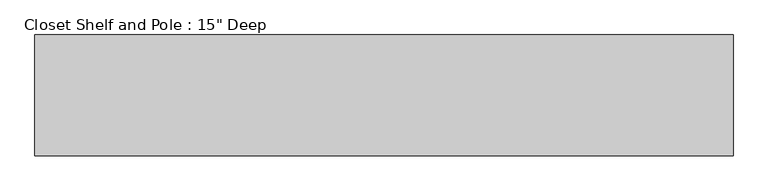
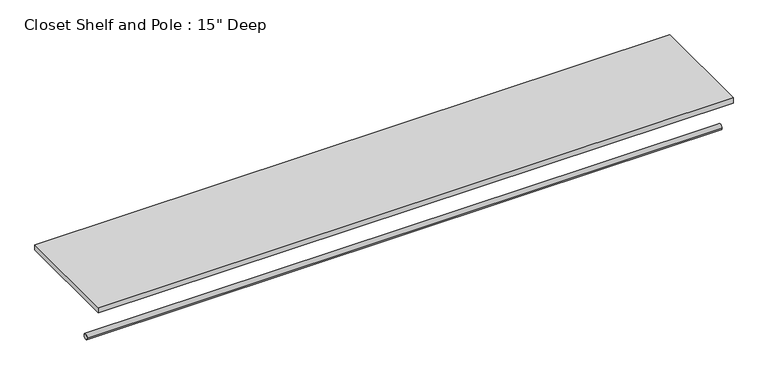
"""IFC4 building model written with IfcOpenShell, lengths in millimetres: proxy geometry."""

from ifc_helpers import new_model, si_unit, point, frame, frame_2d, origin, place, context, project, spatial, polyline, circle_curve, trimmed, segment, composite_curve, outline, extrude, source, transform, mapped, element, save


def proxy_50717bc0(model_context):
    return source(origin(), model_context, "Body", "SweptSolid", [
        extrude(outline(composite_curve([segment(trimmed(circle_curve(frame_2d((-304.8, 1676.4)), 9.525), [point((-314.325, 1676.4))], [point((-295.275, 1676.4))], False, "CARTESIAN"), True, "CONTINUOUS"), segment(trimmed(circle_curve(frame_2d((-304.8, 1676.4)), 9.525), [point((-295.275, 1676.4))], [point((-314.325, 1676.4))], False, "CARTESIAN"), True, "CONTINUOUS")], self_intersect=False)), frame((0.0, 0.0, 0.0), z_axis=(1.0, 0.0, 0.0), x_axis=(0.0, 1.0, 0.0)), (0.0, 0.0, 1.0), 2203.45),
        extrude(outline(polyline([(2203.45, 0.0), (2203.45, -381.0), (0.0, -381.0), (0.0, 0.0), (2203.45, 0.0)])), frame((0.0, 0.0, 1809.75), z_axis=(0.0, 0.0, 1.0), x_axis=(1.0, 0.0, 0.0)), (0.0, 0.0, 1.0), 19.05),
    ])


if __name__ == "__main__":
    model = new_model("IFC4")
    model_context = context("Model", 3, world=origin())
    ifc_project = project(units=[si_unit("LENGTHUNIT", "METRE", prefix="MILLI")], contexts=[model_context])
    site = spatial("IfcSite", under=ifc_project)
    building = spatial("IfcBuilding", under=site)
    placement = place(None, origin())
    proxy_shape = proxy_50717bc0(model_context)
    element("IfcBuildingElementProxy", 1, Name="Closet Shelf and Pole : 15\" Deep", ObjectType="Closet Shelf and Pole : 15\" Deep", at=placement, inside=building, context=model_context, shape_type="MappedRepresentation", body=[
        mapped(proxy_shape, transform((0.0, 0.0, 0.0), x_axis=(1.0, 0.0, 0.0), y_axis=(0.0, 1.0, 0.0), z_axis=(0.0, 0.0, 1.0))),
    ])
    save(model, "model.ifc")
